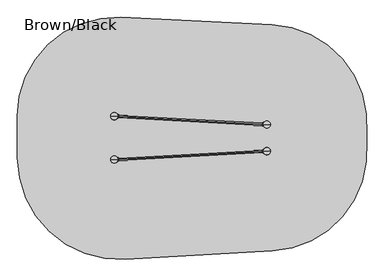
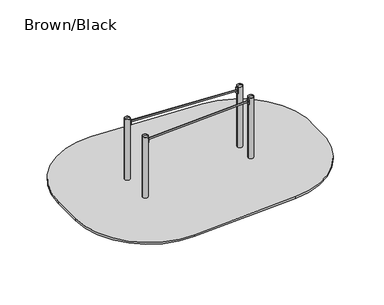
"""IFC4 building model written with IfcOpenShell, lengths in millimetres: furniture geometry, Brown/Black."""

from ifc_helpers import new_model, si_unit, point, frame, frame_2d, origin, place, context, project, spatial, polyline, circle_curve, ellipse_curve, trimmed, segment, composite_curve, outline, extrude, source, transform, mapped, element, save
from ifc_brep_helpers import plane_surface, cylinder_surface, revolved_surface, extruded_surface, advanced_brep


def brown_black_b28c65d4(model_context):
    return source(origin(), model_context, "Body", "SolidModel", [
        extrude(outline(composite_curve([segment(trimmed(circle_curve(frame_2d((1693.7224634, 297.1088305)), 1.0), [point((1694.5317711, 297.6962155))], [point((1693.4322598, 296.1518656))], False, "CARTESIAN"), True, "CONTINUOUS"), segment(polyline([(1693.4322598, 296.1518656), (1676.4479605, 301.3024251)]), True, "CONTINUOUS"), segment(trimmed(circle_curve(frame_2d((1676.7381641, 302.25939)), 1.0), [point((1676.4479605, 301.3024251))], [point((1675.7396558, 302.2047909))], False, "CARTESIAN"), True, "CONTINUOUS"), segment(polyline([(1675.7396558, 302.2047909), (1673.0861621, 350.7318826)]), True, "CONTINUOUS"), segment(trimmed(circle_curve(frame_2d((1674.0846705, 350.7864817)), 1.0), [point((1673.0861621, 350.7318826))], [point((1673.6918541, 351.7060987))], False, "CARTESIAN"), True, "CONTINUOUS"), segment(polyline([(1673.6918541, 351.7060987), (1690.0132981, 358.6778383)]), True, "CONTINUOUS"), segment(trimmed(circle_curve(frame_2d((1690.4061144, 357.7582214)), 1.0), [point((1690.0132981, 358.6778383))], [point((1691.2746426, 357.2625816))], False, "CARTESIAN"), True, "CONTINUOUS"), segment(trimmed(circle_curve(frame_2d((1739.0436912, 330.0023909)), 55.0), [point((1691.2746426, 357.2625816))], [point((1694.5317711, 297.6962155))], True, "CARTESIAN"), True, "CONTINUOUS")], self_intersect=False)), frame((0.0, 0.0, 1200.0), z_axis=(0.0, 0.0, 1.0), x_axis=(1.0, 0.0, 0.0)), (0.0, 0.0, 1.0), 120.0),
        extrude(outline(composite_curve([segment(trimmed(circle_curve(frame_2d((1690.3242462, 702.2462589)), 1.0), [point((1691.1927744, 702.7418988))], [point((1689.9314299, 701.326642))], False, "CARTESIAN"), True, "CONTINUOUS"), segment(polyline([(1689.9314299, 701.326642), (1673.6099859, 708.2983817)]), True, "CONTINUOUS"), segment(trimmed(circle_curve(frame_2d((1674.0028023, 709.2179986)), 1.0), [point((1673.6099859, 708.2983817))], [point((1673.0042939, 709.2725977))], False, "CARTESIAN"), True, "CONTINUOUS"), segment(polyline([(1673.0042939, 709.2725977), (1675.6577875, 757.7996894)]), True, "CONTINUOUS"), segment(trimmed(circle_curve(frame_2d((1676.6562959, 757.7450903)), 1.0), [point((1675.6577875, 757.7996894))], [point((1676.3660923, 758.7020552))], False, "CARTESIAN"), True, "CONTINUOUS"), segment(polyline([(1676.3660923, 758.7020552), (1693.3503916, 763.8526147)]), True, "CONTINUOUS"), segment(trimmed(circle_curve(frame_2d((1693.6405952, 762.8956498)), 1.0), [point((1693.3503916, 763.8526147))], [point((1694.4499029, 762.3082648))], False, "CARTESIAN"), True, "CONTINUOUS"), segment(trimmed(circle_curve(frame_2d((1738.961823, 730.0020894)), 55.0), [point((1694.4499029, 762.3082648))], [point((1691.1927744, 702.7418988))], True, "CARTESIAN"), True, "CONTINUOUS")], self_intersect=False)), frame((0.0, 0.0, 1200.0), z_axis=(0.0, 0.0, 1.0), x_axis=(1.0, 0.0, 0.0)), (0.0, 0.0, 1.0), 120.0),
        extrude(outline(composite_curve([segment(trimmed(circle_curve(frame_2d((-501.7205511, 237.891274)), 1.0), [point((-502.5298588, 237.303889))], [point((-501.4303475, 238.848239))], False, "CARTESIAN"), True, "CONTINUOUS"), segment(polyline([(-501.4303475, 238.848239), (-484.4460482, 233.6976795)]), True, "CONTINUOUS"), segment(trimmed(circle_curve(frame_2d((-484.7362518, 232.7407145)), 1.0), [point((-484.4460482, 233.6976795))], [point((-483.7377434, 232.7953136))], False, "CARTESIAN"), True, "CONTINUOUS"), segment(polyline([(-483.7377434, 232.7953136), (-481.0842498, 184.268222)]), True, "CONTINUOUS"), segment(trimmed(circle_curve(frame_2d((-482.0827581, 184.2136229)), 1.0), [point((-481.0842498, 184.268222))], [point((-481.6899418, 183.2940059))], False, "CARTESIAN"), True, "CONTINUOUS"), segment(polyline([(-481.6899418, 183.2940059), (-498.0113858, 176.3222662)]), True, "CONTINUOUS"), segment(trimmed(circle_curve(frame_2d((-498.4042021, 177.2418832)), 1.0), [point((-498.0113858, 176.3222662))], [point((-499.2727303, 177.737523))], False, "CARTESIAN"), True, "CONTINUOUS"), segment(trimmed(circle_curve(frame_2d((-547.0417789, 204.9977136)), 55.0), [point((-499.2727303, 177.737523))], [point((-502.5298588, 237.303889))], True, "CARTESIAN"), True, "CONTINUOUS")], self_intersect=False)), frame((0.0, 0.0, 1195.0), z_axis=(0.0, 0.0, 1.0), x_axis=(1.0, 0.0, 0.0)), (0.0, 0.0, 1.0), 120.0),
        extrude(outline(composite_curve([segment(trimmed(circle_curve(frame_2d((-498.3701462, 882.7562509)), 1.0), [point((-499.2386744, 882.2606111))], [point((-497.9773299, 883.6758679))], False, "CARTESIAN"), True, "CONTINUOUS"), segment(polyline([(-497.9773299, 883.6758679), (-481.6558859, 876.7041282)]), True, "CONTINUOUS"), segment(trimmed(circle_curve(frame_2d((-482.0487022, 875.7845112)), 1.0), [point((-481.6558859, 876.7041282))], [point((-481.0501939, 875.7299121))], False, "CARTESIAN"), True, "CONTINUOUS"), segment(polyline([(-481.0501939, 875.7299121), (-483.7036875, 827.2028205)]), True, "CONTINUOUS"), segment(trimmed(circle_curve(frame_2d((-484.7021959, 827.2574196)), 1.0), [point((-483.7036875, 827.2028205))], [point((-484.4119923, 826.3004546))], False, "CARTESIAN"), True, "CONTINUOUS"), segment(polyline([(-484.4119923, 826.3004546), (-501.3962916, 821.1498951)]), True, "CONTINUOUS"), segment(trimmed(circle_curve(frame_2d((-501.6864952, 822.1068601)), 1.0), [point((-501.3962916, 821.1498951))], [point((-502.4958029, 822.6942451))], False, "CARTESIAN"), True, "CONTINUOUS"), segment(trimmed(circle_curve(frame_2d((-547.007723, 855.0004204)), 55.0), [point((-502.4958029, 822.6942451))], [point((-499.2386744, 882.2606111))], True, "CARTESIAN"), True, "CONTINUOUS")], self_intersect=False)), frame((0.0, 0.0, 1195.0), z_axis=(0.0, 0.0, 1.0), x_axis=(1.0, 0.0, 0.0)), (0.0, 0.0, 1.0), 120.0),
        extrude(outline(composite_curve([segment(trimmed(circle_curve(frame_2d((1769.3699948, 682.9902489)), 1.0), [point((1768.8276734, 683.83042))], [point((1770.3096874, 682.6482288))], False, "CARTESIAN"), True, "CONTINUOUS"), segment(polyline([(1770.3096874, 682.6482288), (1764.2394832, 665.9704799)]), True, "CONTINUOUS"), segment(trimmed(circle_curve(frame_2d((1763.2997906, 666.3125)), 1.0), [point((1764.2394832, 665.9704799))], [point((1763.2997906, 665.3125))], False, "CARTESIAN"), True, "CONTINUOUS"), segment(polyline([(1763.2997906, 665.3125), (1714.7002057, 665.3125)]), True, "CONTINUOUS"), segment(trimmed(circle_curve(frame_2d((1714.7002057, 666.3125)), 1.0), [point((1714.7002057, 665.3125))], [point((1713.7605131, 665.9704799))], False, "CARTESIAN"), True, "CONTINUOUS"), segment(polyline([(1713.7605131, 665.9704799), (1707.6903089, 682.6482288)]), True, "CONTINUOUS"), segment(trimmed(circle_curve(frame_2d((1708.6300015, 682.9902489)), 1.0), [point((1707.6903089, 682.6482288))], [point((1709.1723229, 683.83042))], False, "CARTESIAN"), True, "CONTINUOUS"), segment(trimmed(circle_curve(frame_2d((1738.9999981, 730.0398324)), 55.0), [point((1709.1723229, 683.83042))], [point((1768.8276734, 683.83042))], True, "CARTESIAN"), True, "CONTINUOUS")], self_intersect=False)), frame((0.0, 0.0, -335.0), z_axis=(0.0, 0.0, 1.0), x_axis=(1.0, 0.0, 0.0)), (0.0, 0.0, 1.0), 120.0),
        extrude(outline(composite_curve([segment(trimmed(circle_curve(frame_2d((1708.6300052, 377.0683449)), 1.0), [point((1709.1723266, 376.2281737))], [point((1707.6903126, 377.410365))], False, "CARTESIAN"), True, "CONTINUOUS"), segment(polyline([(1707.6903126, 377.410365), (1713.7605168, 394.0881139)]), True, "CONTINUOUS"), segment(trimmed(circle_curve(frame_2d((1714.7002094, 393.7460937)), 1.0), [point((1713.7605168, 394.0881139))], [point((1714.7002094, 394.7460937))], False, "CARTESIAN"), True, "CONTINUOUS"), segment(polyline([(1714.7002094, 394.7460937), (1763.2997943, 394.7460937)]), True, "CONTINUOUS"), segment(trimmed(circle_curve(frame_2d((1763.2997943, 393.7460937)), 1.0), [point((1763.2997943, 394.7460937))], [point((1764.2394869, 394.0881139))], False, "CARTESIAN"), True, "CONTINUOUS"), segment(polyline([(1764.2394869, 394.0881139), (1770.3096911, 377.410365)]), True, "CONTINUOUS"), segment(trimmed(circle_curve(frame_2d((1769.3699985, 377.0683449)), 1.0), [point((1770.3096911, 377.410365))], [point((1768.8276771, 376.2281737))], False, "CARTESIAN"), True, "CONTINUOUS"), segment(trimmed(circle_curve(frame_2d((1739.0000019, 330.0187614)), 55.0), [point((1768.8276771, 376.2281737))], [point((1709.1723266, 376.2281737))], True, "CARTESIAN"), True, "CONTINUOUS")], self_intersect=False)), frame((0.0, 0.0, -335.0), z_axis=(0.0, 0.0, 1.0), x_axis=(1.0, 0.0, 0.0)), (0.0, 0.0, 1.0), 120.0),
        extrude(outline(composite_curve([segment(trimmed(circle_curve(frame_2d((-516.6300052, 807.9902489)), 1.0), [point((-517.1723266, 808.83042))], [point((-515.6903126, 807.6482288))], False, "CARTESIAN"), True, "CONTINUOUS"), segment(polyline([(-515.6903126, 807.6482288), (-521.7605168, 790.9704799)]), True, "CONTINUOUS"), segment(trimmed(circle_curve(frame_2d((-522.7002094, 791.3125)), 1.0), [point((-521.7605168, 790.9704799))], [point((-522.7002094, 790.3125))], False, "CARTESIAN"), True, "CONTINUOUS"), segment(polyline([(-522.7002094, 790.3125), (-571.2997943, 790.3125)]), True, "CONTINUOUS"), segment(trimmed(circle_curve(frame_2d((-571.2997943, 791.3125)), 1.0), [point((-571.2997943, 790.3125))], [point((-572.2394869, 790.9704799))], False, "CARTESIAN"), True, "CONTINUOUS"), segment(polyline([(-572.2394869, 790.9704799), (-578.3096911, 807.6482288)]), True, "CONTINUOUS"), segment(trimmed(circle_curve(frame_2d((-577.3699985, 807.9902489)), 1.0), [point((-578.3096911, 807.6482288))], [point((-576.8276771, 808.83042))], False, "CARTESIAN"), True, "CONTINUOUS"), segment(trimmed(circle_curve(frame_2d((-547.0000019, 855.0398324)), 55.0), [point((-576.8276771, 808.83042))], [point((-517.1723266, 808.83042))], True, "CARTESIAN"), True, "CONTINUOUS")], self_intersect=False)), frame((0.0, 0.0, -335.0), z_axis=(0.0, 0.0, 1.0), x_axis=(1.0, 0.0, 0.0)), (0.0, 0.0, 1.0), 120.0),
        extrude(outline(composite_curve([segment(trimmed(circle_curve(frame_2d((-577.3699948, 252.0740781)), 1.0), [point((-576.8276734, 251.233907))], [point((-578.3096874, 252.4160982))], False, "CARTESIAN"), True, "CONTINUOUS"), segment(polyline([(-578.3096874, 252.4160982), (-572.2394832, 269.0938471)]), True, "CONTINUOUS"), segment(trimmed(circle_curve(frame_2d((-571.2997906, 268.751827)), 1.0), [point((-572.2394832, 269.0938471))], [point((-571.2997906, 269.751827))], False, "CARTESIAN"), True, "CONTINUOUS"), segment(polyline([(-571.2997906, 269.751827), (-522.7002057, 269.751827)]), True, "CONTINUOUS"), segment(trimmed(circle_curve(frame_2d((-522.7002057, 268.751827)), 1.0), [point((-522.7002057, 269.751827))], [point((-521.7605131, 269.0938471))], False, "CARTESIAN"), True, "CONTINUOUS"), segment(polyline([(-521.7605131, 269.0938471), (-515.6903089, 252.4160982)]), True, "CONTINUOUS"), segment(trimmed(circle_curve(frame_2d((-516.6300015, 252.0740781)), 1.0), [point((-515.6903089, 252.4160982))], [point((-517.1723229, 251.233907))], False, "CARTESIAN"), True, "CONTINUOUS"), segment(trimmed(circle_curve(frame_2d((-546.9999981, 205.0244946)), 55.0), [point((-517.1723229, 251.233907))], [point((-576.8276734, 251.233907))], True, "CARTESIAN"), True, "CONTINUOUS")], self_intersect=False)), frame((0.0, 0.0, -335.0), z_axis=(0.0, 0.0, 1.0), x_axis=(1.0, 0.0, 0.0)), (0.0, 0.0, 1.0), 120.0),
        advanced_brep(
        [(1794.0, 730.0, 1350.0), (1684.0, 730.0, 1350.0), (1739.0, 730.0, 1362.0246565), (1739.0, 730.0, 1350.0)],
        [
            (0, 1, circle_curve(frame((1739.0, 730.0, 1350.0), z_axis=(0.0, 0.0, 1.0), x_axis=(-1.0, 0.0, 0.0)), 55.0)),
            (1, 2, circle_curve(frame((1734.4549856, 730.0, 1251.0177111), z_axis=(0.0, 1.0, 0.0), x_axis=(-1.0, 0.0, 0.0)), 111.0999509)),
            (2, 0, circle_curve(frame((1743.5450144, 730.0, 1251.0177111), z_axis=(0.0, 1.0, 0.0), x_axis=(1.0, 0.0, 0.0)), 111.0999509)),
            (1, 0, circle_curve(frame((1739.0, 730.0, 1350.0), z_axis=(0.0, 0.0, 1.0), x_axis=(-1.0, 0.0, 0.0)), 55.0)),
            (3, 1),
            (0, 3),
        ],
        [
            revolved_surface(trimmed(ellipse_curve(frame((1734.4549856, 730.0, 1251.0177111), z_axis=(0.0, -1.0, 0.0), x_axis=(-1.0, 0.0, 0.0)), 111.0999509, 111.0999509), [point((1739.0, 730.0, 1362.0246565))], [point((1684.0, 730.0, 1350.0))], True, "CARTESIAN"), (1739.0, 730.0, 969.0), (0.0, 0.0, -1.0)),
            plane_surface(frame((1739.0, 730.0, 1350.0), z_axis=(0.0, 0.0, -1.0), x_axis=(-1.0, 0.0, 0.0))),
        ],
        [
            (0, [[1, 2, 3]]),
            (0, [[4, -3, -2]]),
            (1, [[5, -1, 6]]),
            (1, [[-6, -4, -5]]),
        ],
    ),
        advanced_brep(
        [(-534.5, 927.4599432, -225.0), (-547.0, 927.4599432, -225.0), (-559.5, 927.4599432, -225.0), (-619.5, 867.4599432, -225.0), (-619.5, 842.4599432, -225.0), (-559.5, 782.4599432, -225.0), (-534.5, 782.4599432, -225.0), (-474.5, 842.4599432, -225.0), (-474.5, 867.4599432, -225.0), (-457.0, 1005.0, -460.0), (-547.0, 1005.0, -460.0), (-637.0, 1005.0, -460.0), (-697.0, 945.0, -460.0), (-697.0, 765.0, -460.0), (-637.0, 705.0, -460.0), (-457.0, 705.0, -460.0), (-397.0, 765.0, -460.0), (-397.0, 945.0, -460.0), (-457.0, 1005.0, -600.0), (-397.0, 945.0, -600.0), (-397.0, 765.0, -600.0), (-457.0, 705.0, -600.0), (-637.0, 705.0, -600.0), (-697.0, 765.0, -600.0), (-697.0, 945.0, -600.0), (-637.0, 1005.0, -600.0), (-547.0, 1005.0, -600.0)],
        [
            (0, 1),
            (1, 2),
            (2, 3, circle_curve(frame((-559.5, 867.4599432, -225.0), z_axis=(0.0, 0.0, 1.0), x_axis=(1.0, 0.0, 0.0)), 60.0)),
            (3, 4),
            (4, 5, circle_curve(frame((-559.5, 842.4599432, -225.0), z_axis=(0.0, 0.0, 1.0), x_axis=(1.0, 0.0, 0.0)), 60.0)),
            (5, 6),
            (6, 7, circle_curve(frame((-534.5, 842.4599432, -225.0), z_axis=(0.0, 0.0, 1.0), x_axis=(1.0, 0.0, 0.0)), 60.0)),
            (7, 8),
            (8, 0, circle_curve(frame((-534.5, 867.4599432, -225.0), z_axis=(0.0, 0.0, 1.0), x_axis=(1.0, 0.0, 0.0)), 60.0)),
            (0, 9),
            (9, 10),
            (10, 1),
            (10, 11),
            (11, 2),
            (11, 12, circle_curve(frame((-637.0, 945.0, -460.0), z_axis=(0.0, 0.0, 1.0), x_axis=(1.0, 0.0, 0.0)), 60.0)),
            (12, 3),
            (12, 13),
            (13, 4),
            (13, 14, circle_curve(frame((-637.0, 765.0, -460.0), z_axis=(0.0, 0.0, 1.0), x_axis=(1.0, 0.0, 0.0)), 60.0)),
            (14, 5),
            (14, 15),
            (15, 6),
            (15, 16, circle_curve(frame((-457.0, 765.0, -460.0), z_axis=(0.0, 0.0, 1.0), x_axis=(1.0, 0.0, 0.0)), 60.0)),
            (16, 7),
            (16, 17),
            (17, 8),
            (17, 9, circle_curve(frame((-457.0, 945.0, -460.0), z_axis=(0.0, 0.0, 1.0), x_axis=(1.0, 0.0, 0.0)), 60.0)),
            (18, 19, circle_curve(frame((-457.0, 945.0, -600.0), z_axis=(0.0, 0.0, -1.0), x_axis=(1.0, 0.0, 0.0)), 60.0)),
            (19, 20),
            (20, 21, circle_curve(frame((-457.0, 765.0, -600.0), z_axis=(0.0, 0.0, -1.0), x_axis=(1.0, 0.0, 0.0)), 60.0)),
            (21, 22),
            (22, 23, circle_curve(frame((-637.0, 765.0, -600.0), z_axis=(0.0, 0.0, -1.0), x_axis=(1.0, 0.0, 0.0)), 60.0)),
            (23, 24),
            (24, 25, circle_curve(frame((-637.0, 945.0, -600.0), z_axis=(0.0, 0.0, -1.0), x_axis=(1.0, 0.0, 0.0)), 60.0)),
            (25, 26),
            (26, 18),
            (26, 10),
            (9, 18),
            (25, 11),
            (23, 13),
            (12, 24),
            (21, 15),
            (14, 22),
            (19, 17),
            (16, 20),
        ],
        [
            plane_surface(frame((-547.0, 863.0154988, -225.0), z_axis=(0.0, 0.0, 1.0), x_axis=(-1.0, 0.0, 0.0))),
            plane_surface(frame((-540.75, 927.4599432, -225.0), z_axis=(0.0, 0.9496406059136844, 0.3133412191204512), x_axis=(1.0, 0.0, 0.0))),
            plane_surface(frame((-553.25, 927.4599432, -225.0), z_axis=(0.0, 0.9496406059136843, 0.3133412191204512), x_axis=(1.0, 0.0, 0.0))),
            extruded_surface(trimmed(circle_curve(frame((-559.5, 867.4599432, -225.0), z_axis=(0.0, 0.0, -1.0), x_axis=(1.0, 0.0, 0.0)), 60.0), [point((-619.5, 867.4599432, -225.0))], [point((-559.5, 927.4599432, -225.0))], True, "CARTESIAN"), (-77.5, 77.5400568, -235.0), 259.3139225119763),
            plane_surface(frame((-619.5, 854.9599432, -225.0), z_axis=(-0.9496887635303409, 0.0, 0.31319523052596476), x_axis=(0.0, 1.0, 0.0))),
            extruded_surface(trimmed(circle_curve(frame((-559.5, 842.4599432, -225.0), z_axis=(0.0, 0.0, -1.0), x_axis=(1.0, 0.0, 0.0)), 60.0), [point((-559.5, 782.4599432, -225.0))], [point((-619.5, 842.4599432, -225.0))], True, "CARTESIAN"), (-77.5, -77.4599432, -235.0), 259.2899782107809),
            plane_surface(frame((-547.0, 782.4599432, -225.0), z_axis=(0.0, -0.9497369035840961, 0.3130492197250991), x_axis=(-1.0, 0.0, 0.0))),
            extruded_surface(trimmed(circle_curve(frame((-534.5, 842.4599432, -225.0), z_axis=(0.0, 0.0, -1.0), x_axis=(1.0, 0.0, 0.0)), 60.0), [point((-474.5, 842.4599432, -225.0))], [point((-534.5, 782.4599432, -225.0))], True, "CARTESIAN"), (77.5, -77.4599432, -235.0), 259.2899782107809),
            plane_surface(frame((-474.5, 854.9599432, -225.0), z_axis=(0.9496887635303416, 0.0, 0.3131952305259627), x_axis=(0.0, -1.0, 0.0))),
            extruded_surface(trimmed(circle_curve(frame((-534.5, 867.4599432, -225.0), z_axis=(0.0, 0.0, -1.0), x_axis=(1.0, 0.0, 0.0)), 60.0), [point((-534.5, 927.4599432, -225.0))], [point((-474.5, 867.4599432, -225.0))], True, "CARTESIAN"), (77.5, 77.5400568, -235.0), 259.3139225119763),
            plane_surface(frame((-547.0, 1005.0, -600.0), z_axis=(0.0, 0.0, -1.0), x_axis=(1.0, 0.0, 0.0))),
            plane_surface(frame((-457.0, 1005.0, -460.0), z_axis=(0.0, 1.0, 0.0), x_axis=(0.0, 0.0, -1.0))),
            plane_surface(frame((-547.0, 1005.0, -460.0), z_axis=(0.0, 1.0, 0.0), x_axis=(0.0, 0.0, -1.0))),
            plane_surface(frame((-697.0, 945.0, -460.0), z_axis=(-1.0, 0.0, 0.0), x_axis=(0.0, 0.0, -1.0))),
            plane_surface(frame((-637.0, 705.0, -460.0), z_axis=(0.0, -1.0, 0.0), x_axis=(0.0, 0.0, -1.0))),
            plane_surface(frame((-397.0, 765.0, -460.0), z_axis=(1.0, 0.0, 0.0), x_axis=(0.0, 0.0, -1.0))),
            cylinder_surface(frame((-637.0, 945.0, -600.0), z_axis=(0.0, 0.0, 1.0), x_axis=(1.0, 0.0, 0.0)), 60.0),
            cylinder_surface(frame((-637.0, 765.0, -600.0), z_axis=(0.0, 0.0, 1.0), x_axis=(1.0, 0.0, 0.0)), 60.0),
            cylinder_surface(frame((-457.0, 765.0, -600.0), z_axis=(0.0, 0.0, 1.0), x_axis=(1.0, 0.0, 0.0)), 60.0),
            cylinder_surface(frame((-457.0, 945.0, -600.0), z_axis=(0.0, 0.0, 1.0), x_axis=(1.0, 0.0, 0.0)), 60.0),
        ],
        [
            (0, [[1, 2, 3, 4, 5, 6, 7, 8, 9]]),
            (1, [[-1, 10, 11, 12]]),
            (2, [[-2, -12, 13, 14]]),
            (3, [[-3, -14, 15, 16]]),
            (4, [[-4, -16, 17, 18]]),
            (5, [[-5, -18, 19, 20]]),
            (6, [[-6, -20, 21, 22]]),
            (7, [[-7, -22, 23, 24]]),
            (8, [[-8, -24, 25, 26]]),
            (9, [[-9, -26, 27, -10]]),
            (10, [[28, 29, 30, 31, 32, 33, 34, 35, 36]]),
            (11, [[-36, 37, -11, 38]]),
            (12, [[-35, 39, -13, -37]]),
            (13, [[-33, 40, -17, 41]]),
            (14, [[-31, 42, -21, 43]]),
            (15, [[-29, 44, -25, 45]]),
            (16, [[-34, -41, -15, -39]]),
            (17, [[-32, -43, -19, -40]]),
            (18, [[-30, -45, -23, -42]]),
            (19, [[-28, -38, -27, -44]]),
        ],
    ),
        extrude(outline(composite_curve([segment(trimmed(circle_curve(frame_2d((-547.0, 855.0)), 55.0), [point((-602.0, 855.0))], [point((-492.0, 855.0))], False, "CARTESIAN"), True, "CONTINUOUS"), segment(trimmed(circle_curve(frame_2d((-547.0, 855.0)), 55.0), [point((-492.0, 855.0))], [point((-602.0, 855.0))], False, "CARTESIAN"), True, "CONTINUOUS")], self_intersect=False)), frame((0.0, 0.0, -600.0), z_axis=(0.0, 0.0, 1.0), x_axis=(1.0, 0.0, 0.0)), (0.0, 0.0, 1.0), 500.0),
        advanced_brep(
        [(1751.5, 802.4599432, -225.0), (1739.0, 802.4599432, -225.0), (1726.5, 802.4599432, -225.0), (1666.5, 742.4599432, -225.0), (1666.5, 717.4599432, -225.0), (1726.5, 657.4599432, -225.0), (1751.5, 657.4599432, -225.0), (1811.5, 717.4599432, -225.0), (1811.5, 742.4599432, -225.0), (1829.0, 880.0, -460.0), (1739.0, 880.0, -460.0), (1649.0, 880.0, -460.0), (1589.0, 820.0, -460.0), (1589.0, 640.0, -460.0), (1649.0, 580.0, -460.0), (1829.0, 580.0, -460.0), (1889.0, 640.0, -460.0), (1889.0, 820.0, -460.0), (1829.0, 880.0, -600.0), (1889.0, 820.0, -600.0), (1889.0, 640.0, -600.0), (1829.0, 580.0, -600.0), (1649.0, 580.0, -600.0), (1589.0, 640.0, -600.0), (1589.0, 820.0, -600.0), (1649.0, 880.0, -600.0), (1739.0, 880.0, -600.0)],
        [
            (0, 1),
            (1, 2),
            (2, 3, circle_curve(frame((1726.5, 742.4599432, -225.0), z_axis=(0.0, 0.0, 1.0), x_axis=(1.0, 0.0, 0.0)), 60.0)),
            (3, 4),
            (4, 5, circle_curve(frame((1726.5, 717.4599432, -225.0), z_axis=(0.0, 0.0, 1.0), x_axis=(1.0, 0.0, 0.0)), 60.0)),
            (5, 6),
            (6, 7, circle_curve(frame((1751.5, 717.4599432, -225.0), z_axis=(0.0, 0.0, 1.0), x_axis=(1.0, 0.0, 0.0)), 60.0)),
            (7, 8),
            (8, 0, circle_curve(frame((1751.5, 742.4599432, -225.0), z_axis=(0.0, 0.0, 1.0), x_axis=(1.0, 0.0, 0.0)), 60.0)),
            (0, 9),
            (9, 10),
            (10, 1),
            (10, 11),
            (11, 2),
            (11, 12, circle_curve(frame((1649.0, 820.0, -460.0), z_axis=(0.0, 0.0, 1.0), x_axis=(1.0, 0.0, 0.0)), 60.0)),
            (12, 3),
            (12, 13),
            (13, 4),
            (13, 14, circle_curve(frame((1649.0, 640.0, -460.0), z_axis=(0.0, 0.0, 1.0), x_axis=(1.0, 0.0, 0.0)), 60.0)),
            (14, 5),
            (14, 15),
            (15, 6),
            (15, 16, circle_curve(frame((1829.0, 640.0, -460.0), z_axis=(0.0, 0.0, 1.0), x_axis=(1.0, 0.0, 0.0)), 60.0)),
            (16, 7),
            (16, 17),
            (17, 8),
            (17, 9, circle_curve(frame((1829.0, 820.0, -460.0), z_axis=(0.0, 0.0, 1.0), x_axis=(1.0, 0.0, 0.0)), 60.0)),
            (18, 19, circle_curve(frame((1829.0, 820.0, -600.0), z_axis=(0.0, 0.0, -1.0), x_axis=(1.0, 0.0, 0.0)), 60.0)),
            (19, 20),
            (20, 21, circle_curve(frame((1829.0, 640.0, -600.0), z_axis=(0.0, 0.0, -1.0), x_axis=(1.0, 0.0, 0.0)), 60.0)),
            (21, 22),
            (22, 23, circle_curve(frame((1649.0, 640.0, -600.0), z_axis=(0.0, 0.0, -1.0), x_axis=(1.0, 0.0, 0.0)), 60.0)),
            (23, 24),
            (24, 25, circle_curve(frame((1649.0, 820.0, -600.0), z_axis=(0.0, 0.0, -1.0), x_axis=(1.0, 0.0, 0.0)), 60.0)),
            (25, 26),
            (26, 18),
            (26, 10),
            (9, 18),
            (25, 11),
            (23, 13),
            (12, 24),
            (21, 15),
            (14, 22),
            (19, 17),
            (16, 20),
        ],
        [
            plane_surface(frame((1739.0, 738.0154988, -225.0), z_axis=(0.0, 0.0, 1.0), x_axis=(-1.0, 0.0, 0.0))),
            plane_surface(frame((1745.25, 802.4599432, -225.0), z_axis=(0.0, 0.9496406059136844, 0.3133412191204512), x_axis=(1.0, 0.0, 0.0))),
            plane_surface(frame((1732.75, 802.4599432, -225.0), z_axis=(0.0, 0.9496406059136843, 0.3133412191204512), x_axis=(1.0, 0.0, 0.0))),
            extruded_surface(trimmed(circle_curve(frame((1726.5, 742.4599432, -225.0), z_axis=(0.0, 0.0, -1.0), x_axis=(1.0, 0.0, 0.0)), 60.0), [point((1666.5, 742.4599432, -225.0))], [point((1726.5, 802.4599432, -225.0))], True, "CARTESIAN"), (-77.5, 77.5400568, -235.0), 259.3139225119763),
            plane_surface(frame((1666.5, 729.9599432, -225.0), z_axis=(-0.9496887635303409, 0.0, 0.31319523052596476), x_axis=(0.0, 1.0, 0.0))),
            extruded_surface(trimmed(circle_curve(frame((1726.5, 717.4599432, -225.0), z_axis=(0.0, 0.0, -1.0), x_axis=(1.0, 0.0, 0.0)), 60.0), [point((1726.5, 657.4599432, -225.0))], [point((1666.5, 717.4599432, -225.0))], True, "CARTESIAN"), (-77.5, -77.4599432, -235.0), 259.2899782107809),
            plane_surface(frame((1739.0, 657.4599432, -225.0), z_axis=(0.0, -0.9497369035840961, 0.3130492197250991), x_axis=(-1.0, 0.0, 0.0))),
            extruded_surface(trimmed(circle_curve(frame((1751.5, 717.4599432, -225.0), z_axis=(0.0, 0.0, -1.0), x_axis=(1.0, 0.0, 0.0)), 60.0), [point((1811.5, 717.4599432, -225.0))], [point((1751.5, 657.4599432, -225.0))], True, "CARTESIAN"), (77.5, -77.4599432, -235.0), 259.2899782107809),
            plane_surface(frame((1811.5, 729.9599432, -225.0), z_axis=(0.9496887635303416, 0.0, 0.3131952305259627), x_axis=(0.0, -1.0, 0.0))),
            extruded_surface(trimmed(circle_curve(frame((1751.5, 742.4599432, -225.0), z_axis=(0.0, 0.0, -1.0), x_axis=(1.0, 0.0, 0.0)), 60.0), [point((1751.5, 802.4599432, -225.0))], [point((1811.5, 742.4599432, -225.0))], True, "CARTESIAN"), (77.5, 77.5400568, -235.0), 259.3139225119763),
            plane_surface(frame((1739.0, 880.0, -600.0), z_axis=(0.0, 0.0, -1.0), x_axis=(1.0, 0.0, 0.0))),
            plane_surface(frame((1829.0, 880.0, -460.0), z_axis=(0.0, 1.0, 0.0), x_axis=(0.0, 0.0, -1.0))),
            plane_surface(frame((1739.0, 880.0, -460.0), z_axis=(0.0, 1.0, 0.0), x_axis=(0.0, 0.0, -1.0))),
            plane_surface(frame((1589.0, 820.0, -460.0), z_axis=(-1.0, 0.0, 0.0), x_axis=(0.0, 0.0, -1.0))),
            plane_surface(frame((1649.0, 580.0, -460.0), z_axis=(0.0, -1.0, 0.0), x_axis=(0.0, 0.0, -1.0))),
            plane_surface(frame((1889.0, 640.0, -460.0), z_axis=(1.0, 0.0, 0.0), x_axis=(0.0, 0.0, -1.0))),
            cylinder_surface(frame((1649.0, 820.0, -600.0), z_axis=(0.0, 0.0, 1.0), x_axis=(1.0, 0.0, 0.0)), 60.0),
            cylinder_surface(frame((1649.0, 640.0, -600.0), z_axis=(0.0, 0.0, 1.0), x_axis=(1.0, 0.0, 0.0)), 60.0),
            cylinder_surface(frame((1829.0, 640.0, -600.0), z_axis=(0.0, 0.0, 1.0), x_axis=(1.0, 0.0, 0.0)), 60.0),
            cylinder_surface(frame((1829.0, 820.0, -600.0), z_axis=(0.0, 0.0, 1.0), x_axis=(1.0, 0.0, 0.0)), 60.0),
        ],
        [
            (0, [[1, 2, 3, 4, 5, 6, 7, 8, 9]]),
            (1, [[-1, 10, 11, 12]]),
            (2, [[-2, -12, 13, 14]]),
            (3, [[-3, -14, 15, 16]]),
            (4, [[-4, -16, 17, 18]]),
            (5, [[-5, -18, 19, 20]]),
            (6, [[-6, -20, 21, 22]]),
            (7, [[-7, -22, 23, 24]]),
            (8, [[-8, -24, 25, 26]]),
            (9, [[-9, -26, 27, -10]]),
            (10, [[28, 29, 30, 31, 32, 33, 34, 35, 36]]),
            (11, [[-36, 37, -11, 38]]),
            (12, [[-35, 39, -13, -37]]),
            (13, [[-33, 40, -17, 41]]),
            (14, [[-31, 42, -21, 43]]),
            (15, [[-29, 44, -25, 45]]),
            (16, [[-34, -41, -15, -39]]),
            (17, [[-32, -43, -19, -40]]),
            (18, [[-30, -45, -23, -42]]),
            (19, [[-28, -38, -27, -44]]),
        ],
    ),
        extrude(outline(composite_curve([segment(trimmed(circle_curve(frame_2d((1739.0, 730.0)), 55.0), [point((1684.0, 730.0))], [point((1794.0, 730.0))], False, "CARTESIAN"), True, "CONTINUOUS"), segment(trimmed(circle_curve(frame_2d((1739.0, 730.0)), 55.0), [point((1794.0, 730.0))], [point((1684.0, 730.0))], False, "CARTESIAN"), True, "CONTINUOUS")], self_intersect=False)), frame((0.0, 0.0, -600.0), z_axis=(0.0, 0.0, 1.0), x_axis=(1.0, 0.0, 0.0)), (0.0, 0.0, 1.0), 500.0),
        advanced_brep(
        [(-492.0, 855.0, 1350.0), (-602.0, 855.0, 1350.0), (-547.0, 855.0, 1362.0246565), (-547.0, 855.0, 1350.0)],
        [
            (0, 1, circle_curve(frame((-547.0, 855.0, 1350.0), z_axis=(0.0, 0.0, 1.0), x_axis=(-1.0, 0.0, 0.0)), 55.0)),
            (1, 2, circle_curve(frame((-551.5450144, 855.0, 1251.0177111), z_axis=(0.0, 1.0, 0.0), x_axis=(-1.0, 0.0, 0.0)), 111.0999509)),
            (2, 0, circle_curve(frame((-542.4549856, 855.0, 1251.0177111), z_axis=(0.0, 1.0, 0.0), x_axis=(1.0, 0.0, 0.0)), 111.0999509)),
            (1, 0, circle_curve(frame((-547.0, 855.0, 1350.0), z_axis=(0.0, 0.0, 1.0), x_axis=(-1.0, 0.0, 0.0)), 55.0)),
            (3, 1),
            (0, 3),
        ],
        [
            revolved_surface(trimmed(ellipse_curve(frame((-551.5450144, 855.0, 1251.0177111), z_axis=(0.0, -1.0, 0.0), x_axis=(-1.0, 0.0, 0.0)), 111.0999509, 111.0999509), [point((-547.0, 855.0, 1362.0246565))], [point((-602.0, 855.0, 1350.0))], True, "CARTESIAN"), (-547.0, 855.0, 969.0), (0.0, 0.0, -1.0)),
            plane_surface(frame((-547.0, 855.0, 1350.0), z_axis=(0.0, 0.0, -1.0), x_axis=(-1.0, 0.0, 0.0))),
        ],
        [
            (0, [[1, 2, 3]]),
            (0, [[4, -3, -2]]),
            (1, [[5, -1, 6]]),
            (1, [[-6, -4, -5]]),
        ],
    ),
        advanced_brep(
        [(1794.0, 330.0, 1350.0), (1684.0, 330.0, 1350.0), (1739.0, 330.0, 1362.0246565), (1739.0, 330.0, 1350.0)],
        [
            (0, 1, circle_curve(frame((1739.0, 330.0, 1350.0), z_axis=(0.0, 0.0, 1.0), x_axis=(-1.0, 0.0, 0.0)), 55.0)),
            (1, 2, circle_curve(frame((1734.4549856, 330.0, 1251.0177111), z_axis=(0.0, 1.0, 0.0), x_axis=(-1.0, 0.0, 0.0)), 111.0999509)),
            (2, 0, circle_curve(frame((1743.5450144, 330.0, 1251.0177111), z_axis=(0.0, 1.0, 0.0), x_axis=(1.0, 0.0, 0.0)), 111.0999509)),
            (1, 0, circle_curve(frame((1739.0, 330.0, 1350.0), z_axis=(0.0, 0.0, 1.0), x_axis=(-1.0, 0.0, 0.0)), 55.0)),
            (3, 1),
            (0, 3),
        ],
        [
            revolved_surface(trimmed(ellipse_curve(frame((1734.4549856, 330.0, 1251.0177111), z_axis=(0.0, -1.0, 0.0), x_axis=(-1.0, 0.0, 0.0)), 111.0999509, 111.0999509), [point((1739.0, 330.0, 1362.0246565))], [point((1684.0, 330.0, 1350.0))], True, "CARTESIAN"), (1739.0, 330.0, 969.0), (0.0, 0.0, -1.0)),
            plane_surface(frame((1739.0, 330.0, 1350.0), z_axis=(0.0, 0.0, -1.0), x_axis=(-1.0, 0.0, 0.0))),
        ],
        [
            (0, [[1, 2, 3]]),
            (0, [[4, -3, -2]]),
            (1, [[5, -1, 6]]),
            (1, [[-6, -4, -5]]),
        ],
    ),
        advanced_brep(
        [(-492.0, 205.0, 1350.0), (-602.0, 205.0, 1350.0), (-547.0, 205.0, 1362.0246565), (-547.0, 205.0, 1350.0)],
        [
            (0, 1, circle_curve(frame((-547.0, 205.0, 1350.0), z_axis=(0.0, 0.0, 1.0), x_axis=(-1.0, 0.0, 0.0)), 55.0)),
            (1, 2, circle_curve(frame((-551.5450144, 205.0, 1251.0177111), z_axis=(0.0, 1.0, 0.0), x_axis=(-1.0, 0.0, 0.0)), 111.0999509)),
            (2, 0, circle_curve(frame((-542.4549856, 205.0, 1251.0177111), z_axis=(0.0, 1.0, 0.0), x_axis=(1.0, 0.0, 0.0)), 111.0999509)),
            (1, 0, circle_curve(frame((-547.0, 205.0, 1350.0), z_axis=(0.0, 0.0, 1.0), x_axis=(-1.0, 0.0, 0.0)), 55.0)),
            (3, 1),
            (0, 3),
        ],
        [
            revolved_surface(trimmed(ellipse_curve(frame((-551.5450144, 205.0, 1251.0177111), z_axis=(0.0, -1.0, 0.0), x_axis=(-1.0, 0.0, 0.0)), 111.0999509, 111.0999509), [point((-547.0, 205.0, 1362.0246565))], [point((-602.0, 205.0, 1350.0))], True, "CARTESIAN"), (-547.0, 205.0, 969.0), (0.0, 0.0, -1.0)),
            plane_surface(frame((-547.0, 205.0, 1350.0), z_axis=(0.0, 0.0, -1.0), x_axis=(-1.0, 0.0, 0.0))),
        ],
        [
            (0, [[1, 2, 3]]),
            (0, [[4, -3, -2]]),
            (1, [[5, -1, 6]]),
            (1, [[-6, -4, -5]]),
        ],
    ),
        advanced_brep(
        [(1751.5, 402.4599432, -225.0), (1739.0, 402.4599432, -225.0), (1726.5, 402.4599432, -225.0), (1666.5, 342.4599432, -225.0), (1666.5, 317.4599432, -225.0), (1726.5, 257.4599432, -225.0), (1751.5, 257.4599432, -225.0), (1811.5, 317.4599432, -225.0), (1811.5, 342.4599432, -225.0), (1829.0, 480.0, -460.0), (1739.0, 480.0, -460.0), (1649.0, 480.0, -460.0), (1589.0, 420.0, -460.0), (1589.0, 240.0, -460.0), (1649.0, 180.0, -460.0), (1829.0, 180.0, -460.0), (1889.0, 240.0, -460.0), (1889.0, 420.0, -460.0), (1829.0, 480.0, -600.0), (1889.0, 420.0, -600.0), (1889.0, 240.0, -600.0), (1829.0, 180.0, -600.0), (1649.0, 180.0, -600.0), (1589.0, 240.0, -600.0), (1589.0, 420.0, -600.0), (1649.0, 480.0, -600.0), (1739.0, 480.0, -600.0)],
        [
            (0, 1),
            (1, 2),
            (2, 3, circle_curve(frame((1726.5, 342.4599432, -225.0), z_axis=(0.0, 0.0, 1.0), x_axis=(1.0, 0.0, 0.0)), 60.0)),
            (3, 4),
            (4, 5, circle_curve(frame((1726.5, 317.4599432, -225.0), z_axis=(0.0, 0.0, 1.0), x_axis=(1.0, 0.0, 0.0)), 60.0)),
            (5, 6),
            (6, 7, circle_curve(frame((1751.5, 317.4599432, -225.0), z_axis=(0.0, 0.0, 1.0), x_axis=(1.0, 0.0, 0.0)), 60.0)),
            (7, 8),
            (8, 0, circle_curve(frame((1751.5, 342.4599432, -225.0), z_axis=(0.0, 0.0, 1.0), x_axis=(1.0, 0.0, 0.0)), 60.0)),
            (0, 9),
            (9, 10),
            (10, 1),
            (10, 11),
            (11, 2),
            (11, 12, circle_curve(frame((1649.0, 420.0, -460.0), z_axis=(0.0, 0.0, 1.0), x_axis=(1.0, 0.0, 0.0)), 60.0)),
            (12, 3),
            (12, 13),
            (13, 4),
            (13, 14, circle_curve(frame((1649.0, 240.0, -460.0), z_axis=(0.0, 0.0, 1.0), x_axis=(1.0, 0.0, 0.0)), 60.0)),
            (14, 5),
            (14, 15),
            (15, 6),
            (15, 16, circle_curve(frame((1829.0, 240.0, -460.0), z_axis=(0.0, 0.0, 1.0), x_axis=(1.0, 0.0, 0.0)), 60.0)),
            (16, 7),
            (16, 17),
            (17, 8),
            (17, 9, circle_curve(frame((1829.0, 420.0, -460.0), z_axis=(0.0, 0.0, 1.0), x_axis=(1.0, 0.0, 0.0)), 60.0)),
            (18, 19, circle_curve(frame((1829.0, 420.0, -600.0), z_axis=(0.0, 0.0, -1.0), x_axis=(1.0, 0.0, 0.0)), 60.0)),
            (19, 20),
            (20, 21, circle_curve(frame((1829.0, 240.0, -600.0), z_axis=(0.0, 0.0, -1.0), x_axis=(1.0, 0.0, 0.0)), 60.0)),
            (21, 22),
            (22, 23, circle_curve(frame((1649.0, 240.0, -600.0), z_axis=(0.0, 0.0, -1.0), x_axis=(1.0, 0.0, 0.0)), 60.0)),
            (23, 24),
            (24, 25, circle_curve(frame((1649.0, 420.0, -600.0), z_axis=(0.0, 0.0, -1.0), x_axis=(1.0, 0.0, 0.0)), 60.0)),
            (25, 26),
            (26, 18),
            (26, 10),
            (9, 18),
            (25, 11),
            (23, 13),
            (12, 24),
            (21, 15),
            (14, 22),
            (19, 17),
            (16, 20),
        ],
        [
            plane_surface(frame((1739.0, 338.0154988, -225.0), z_axis=(0.0, 0.0, 1.0), x_axis=(-1.0, 0.0, 0.0))),
            plane_surface(frame((1745.25, 402.4599432, -225.0), z_axis=(0.0, 0.9496406059136844, 0.3133412191204512), x_axis=(1.0, 0.0, 0.0))),
            plane_surface(frame((1732.75, 402.4599432, -225.0), z_axis=(0.0, 0.9496406059136843, 0.3133412191204512), x_axis=(1.0, 0.0, 0.0))),
            extruded_surface(trimmed(circle_curve(frame((1726.5, 342.4599432, -225.0), z_axis=(0.0, 0.0, -1.0), x_axis=(1.0, 0.0, 0.0)), 60.0), [point((1666.5, 342.4599432, -225.0))], [point((1726.5, 402.4599432, -225.0))], True, "CARTESIAN"), (-77.5, 77.5400568, -235.0), 259.3139225119763),
            plane_surface(frame((1666.5, 329.9599432, -225.0), z_axis=(-0.9496887635303409, 0.0, 0.31319523052596476), x_axis=(0.0, 1.0, 0.0))),
            extruded_surface(trimmed(circle_curve(frame((1726.5, 317.4599432, -225.0), z_axis=(0.0, 0.0, -1.0), x_axis=(1.0, 0.0, 0.0)), 60.0), [point((1726.5, 257.4599432, -225.0))], [point((1666.5, 317.4599432, -225.0))], True, "CARTESIAN"), (-77.5, -77.4599432, -235.0), 259.2899782107809),
            plane_surface(frame((1739.0, 257.4599432, -225.0), z_axis=(0.0, -0.9497369035840961, 0.3130492197250991), x_axis=(-1.0, 0.0, 0.0))),
            extruded_surface(trimmed(circle_curve(frame((1751.5, 317.4599432, -225.0), z_axis=(0.0, 0.0, -1.0), x_axis=(1.0, 0.0, 0.0)), 60.0), [point((1811.5, 317.4599432, -225.0))], [point((1751.5, 257.4599432, -225.0))], True, "CARTESIAN"), (77.5, -77.4599432, -235.0), 259.2899782107809),
            plane_surface(frame((1811.5, 329.9599432, -225.0), z_axis=(0.9496887635303416, 0.0, 0.3131952305259627), x_axis=(0.0, -1.0, 0.0))),
            extruded_surface(trimmed(circle_curve(frame((1751.5, 342.4599432, -225.0), z_axis=(0.0, 0.0, -1.0), x_axis=(1.0, 0.0, 0.0)), 60.0), [point((1751.5, 402.4599432, -225.0))], [point((1811.5, 342.4599432, -225.0))], True, "CARTESIAN"), (77.5, 77.5400568, -235.0), 259.3139225119763),
            plane_surface(frame((1739.0, 480.0, -600.0), z_axis=(0.0, 0.0, -1.0), x_axis=(1.0, 0.0, 0.0))),
            plane_surface(frame((1829.0, 480.0, -460.0), z_axis=(0.0, 1.0, 0.0), x_axis=(0.0, 0.0, -1.0))),
            plane_surface(frame((1739.0, 480.0, -460.0), z_axis=(0.0, 1.0, 0.0), x_axis=(0.0, 0.0, -1.0))),
            plane_surface(frame((1589.0, 420.0, -460.0), z_axis=(-1.0, 0.0, 0.0), x_axis=(0.0, 0.0, -1.0))),
            plane_surface(frame((1649.0, 180.0, -460.0), z_axis=(0.0, -1.0, 0.0), x_axis=(0.0, 0.0, -1.0))),
            plane_surface(frame((1889.0, 240.0, -460.0), z_axis=(1.0, 0.0, 0.0), x_axis=(0.0, 0.0, -1.0))),
            cylinder_surface(frame((1649.0, 420.0, -600.0), z_axis=(0.0, 0.0, 1.0), x_axis=(1.0, 0.0, 0.0)), 60.0),
            cylinder_surface(frame((1649.0, 240.0, -600.0), z_axis=(0.0, 0.0, 1.0), x_axis=(1.0, 0.0, 0.0)), 60.0),
            cylinder_surface(frame((1829.0, 240.0, -600.0), z_axis=(0.0, 0.0, 1.0), x_axis=(1.0, 0.0, 0.0)), 60.0),
            cylinder_surface(frame((1829.0, 420.0, -600.0), z_axis=(0.0, 0.0, 1.0), x_axis=(1.0, 0.0, 0.0)), 60.0),
        ],
        [
            (0, [[1, 2, 3, 4, 5, 6, 7, 8, 9]]),
            (1, [[-1, 10, 11, 12]]),
            (2, [[-2, -12, 13, 14]]),
            (3, [[-3, -14, 15, 16]]),
            (4, [[-4, -16, 17, 18]]),
            (5, [[-5, -18, 19, 20]]),
            (6, [[-6, -20, 21, 22]]),
            (7, [[-7, -22, 23, 24]]),
            (8, [[-8, -24, 25, 26]]),
            (9, [[-9, -26, 27, -10]]),
            (10, [[28, 29, 30, 31, 32, 33, 34, 35, 36]]),
            (11, [[-36, 37, -11, 38]]),
            (12, [[-35, 39, -13, -37]]),
            (13, [[-33, 40, -17, 41]]),
            (14, [[-31, 42, -21, 43]]),
            (15, [[-29, 44, -25, 45]]),
            (16, [[-34, -41, -15, -39]]),
            (17, [[-32, -43, -19, -40]]),
            (18, [[-30, -45, -23, -42]]),
            (19, [[-28, -38, -27, -44]]),
        ],
    ),
        extrude(outline(composite_curve([segment(trimmed(circle_curve(frame_2d((1739.0, 330.0)), 55.0), [point((1684.0, 330.0))], [point((1794.0, 330.0))], False, "CARTESIAN"), True, "CONTINUOUS"), segment(trimmed(circle_curve(frame_2d((1739.0, 330.0)), 55.0), [point((1794.0, 330.0))], [point((1684.0, 330.0))], False, "CARTESIAN"), True, "CONTINUOUS")], self_intersect=False)), frame((0.0, 0.0, -600.0), z_axis=(0.0, 0.0, 1.0), x_axis=(1.0, 0.0, 0.0)), (0.0, 0.0, 1.0), 500.0),
        advanced_brep(
        [(-534.5, 277.4599432, -225.0), (-547.0, 277.4599432, -225.0), (-559.5, 277.4599432, -225.0), (-619.5, 217.4599432, -225.0), (-619.5, 192.4599432, -225.0), (-559.5, 132.4599432, -225.0), (-534.5, 132.4599432, -225.0), (-474.5, 192.4599432, -225.0), (-474.5, 217.4599432, -225.0), (-457.0, 355.0, -460.0), (-547.0, 355.0, -460.0), (-637.0, 355.0, -460.0), (-697.0, 295.0, -460.0), (-697.0, 115.0, -460.0), (-637.0, 55.0, -460.0), (-457.0, 55.0, -460.0), (-397.0, 115.0, -460.0), (-397.0, 295.0, -460.0), (-457.0, 355.0, -600.0), (-397.0, 295.0, -600.0), (-397.0, 115.0, -600.0), (-457.0, 55.0, -600.0), (-637.0, 55.0, -600.0), (-697.0, 115.0, -600.0), (-697.0, 295.0, -600.0), (-637.0, 355.0, -600.0), (-547.0, 355.0, -600.0)],
        [
            (0, 1),
            (1, 2),
            (2, 3, circle_curve(frame((-559.5, 217.4599432, -225.0), z_axis=(0.0, 0.0, 1.0), x_axis=(1.0, 0.0, 0.0)), 60.0)),
            (3, 4),
            (4, 5, circle_curve(frame((-559.5, 192.4599432, -225.0), z_axis=(0.0, 0.0, 1.0), x_axis=(1.0, 0.0, 0.0)), 60.0)),
            (5, 6),
            (6, 7, circle_curve(frame((-534.5, 192.4599432, -225.0), z_axis=(0.0, 0.0, 1.0), x_axis=(1.0, 0.0, 0.0)), 60.0)),
            (7, 8),
            (8, 0, circle_curve(frame((-534.5, 217.4599432, -225.0), z_axis=(0.0, 0.0, 1.0), x_axis=(1.0, 0.0, 0.0)), 60.0)),
            (0, 9),
            (9, 10),
            (10, 1),
            (10, 11),
            (11, 2),
            (11, 12, circle_curve(frame((-637.0, 295.0, -460.0), z_axis=(0.0, 0.0, 1.0), x_axis=(1.0, 0.0, 0.0)), 60.0)),
            (12, 3),
            (12, 13),
            (13, 4),
            (13, 14, circle_curve(frame((-637.0, 115.0, -460.0), z_axis=(0.0, 0.0, 1.0), x_axis=(1.0, 0.0, 0.0)), 60.0)),
            (14, 5),
            (14, 15),
            (15, 6),
            (15, 16, circle_curve(frame((-457.0, 115.0, -460.0), z_axis=(0.0, 0.0, 1.0), x_axis=(1.0, 0.0, 0.0)), 60.0)),
            (16, 7),
            (16, 17),
            (17, 8),
            (17, 9, circle_curve(frame((-457.0, 295.0, -460.0), z_axis=(0.0, 0.0, 1.0), x_axis=(1.0, 0.0, 0.0)), 60.0)),
            (18, 19, circle_curve(frame((-457.0, 295.0, -600.0), z_axis=(0.0, 0.0, -1.0), x_axis=(1.0, 0.0, 0.0)), 60.0)),
            (19, 20),
            (20, 21, circle_curve(frame((-457.0, 115.0, -600.0), z_axis=(0.0, 0.0, -1.0), x_axis=(1.0, 0.0, 0.0)), 60.0)),
            (21, 22),
            (22, 23, circle_curve(frame((-637.0, 115.0, -600.0), z_axis=(0.0, 0.0, -1.0), x_axis=(1.0, 0.0, 0.0)), 60.0)),
            (23, 24),
            (24, 25, circle_curve(frame((-637.0, 295.0, -600.0), z_axis=(0.0, 0.0, -1.0), x_axis=(1.0, 0.0, 0.0)), 60.0)),
            (25, 26),
            (26, 18),
            (26, 10),
            (9, 18),
            (25, 11),
            (23, 13),
            (12, 24),
            (21, 15),
            (14, 22),
            (19, 17),
            (16, 20),
        ],
        [
            plane_surface(frame((-547.0, 213.0154988, -225.0), z_axis=(0.0, 0.0, 1.0), x_axis=(-1.0, 0.0, 0.0))),
            plane_surface(frame((-540.75, 277.4599432, -225.0), z_axis=(0.0, 0.9496406059136844, 0.3133412191204512), x_axis=(1.0, 0.0, 0.0))),
            plane_surface(frame((-553.25, 277.4599432, -225.0), z_axis=(0.0, 0.9496406059136843, 0.3133412191204512), x_axis=(1.0, 0.0, 0.0))),
            extruded_surface(trimmed(circle_curve(frame((-559.5, 217.4599432, -225.0), z_axis=(0.0, 0.0, -1.0), x_axis=(1.0, 0.0, 0.0)), 60.0), [point((-619.5, 217.4599432, -225.0))], [point((-559.5, 277.4599432, -225.0))], True, "CARTESIAN"), (-77.5, 77.5400568, -235.0), 259.3139225119763),
            plane_surface(frame((-619.5, 204.9599432, -225.0), z_axis=(-0.9496887635303409, 0.0, 0.31319523052596476), x_axis=(0.0, 1.0, 0.0))),
            extruded_surface(trimmed(circle_curve(frame((-559.5, 192.4599432, -225.0), z_axis=(0.0, 0.0, -1.0), x_axis=(1.0, 0.0, 0.0)), 60.0), [point((-559.5, 132.4599432, -225.0))], [point((-619.5, 192.4599432, -225.0))], True, "CARTESIAN"), (-77.5, -77.4599432, -235.0), 259.2899782107809),
            plane_surface(frame((-547.0, 132.4599432, -225.0), z_axis=(0.0, -0.9497369035840961, 0.3130492197250991), x_axis=(-1.0, 0.0, 0.0))),
            extruded_surface(trimmed(circle_curve(frame((-534.5, 192.4599432, -225.0), z_axis=(0.0, 0.0, -1.0), x_axis=(1.0, 0.0, 0.0)), 60.0), [point((-474.5, 192.4599432, -225.0))], [point((-534.5, 132.4599432, -225.0))], True, "CARTESIAN"), (77.5, -77.4599432, -235.0), 259.2899782107809),
            plane_surface(frame((-474.5, 204.9599432, -225.0), z_axis=(0.9496887635303416, 0.0, 0.3131952305259627), x_axis=(0.0, -1.0, 0.0))),
            extruded_surface(trimmed(circle_curve(frame((-534.5, 217.4599432, -225.0), z_axis=(0.0, 0.0, -1.0), x_axis=(1.0, 0.0, 0.0)), 60.0), [point((-534.5, 277.4599432, -225.0))], [point((-474.5, 217.4599432, -225.0))], True, "CARTESIAN"), (77.5, 77.5400568, -235.0), 259.3139225119763),
            plane_surface(frame((-547.0, 355.0, -600.0), z_axis=(0.0, 0.0, -1.0), x_axis=(1.0, 0.0, 0.0))),
            plane_surface(frame((-457.0, 355.0, -460.0), z_axis=(0.0, 1.0, 0.0), x_axis=(0.0, 0.0, -1.0))),
            plane_surface(frame((-547.0, 355.0, -460.0), z_axis=(0.0, 1.0, 0.0), x_axis=(0.0, 0.0, -1.0))),
            plane_surface(frame((-697.0, 295.0, -460.0), z_axis=(-1.0, 0.0, 0.0), x_axis=(0.0, 0.0, -1.0))),
            plane_surface(frame((-637.0, 55.0, -460.0), z_axis=(0.0, -1.0, 0.0), x_axis=(0.0, 0.0, -1.0))),
            plane_surface(frame((-397.0, 115.0, -460.0), z_axis=(1.0, 0.0, 0.0), x_axis=(0.0, 0.0, -1.0))),
            cylinder_surface(frame((-637.0, 295.0, -600.0), z_axis=(0.0, 0.0, 1.0), x_axis=(1.0, 0.0, 0.0)), 60.0),
            cylinder_surface(frame((-637.0, 115.0, -600.0), z_axis=(0.0, 0.0, 1.0), x_axis=(1.0, 0.0, 0.0)), 60.0),
            cylinder_surface(frame((-457.0, 115.0, -600.0), z_axis=(0.0, 0.0, 1.0), x_axis=(1.0, 0.0, 0.0)), 60.0),
            cylinder_surface(frame((-457.0, 295.0, -600.0), z_axis=(0.0, 0.0, 1.0), x_axis=(1.0, 0.0, 0.0)), 60.0),
        ],
        [
            (0, [[1, 2, 3, 4, 5, 6, 7, 8, 9]]),
            (1, [[-1, 10, 11, 12]]),
            (2, [[-2, -12, 13, 14]]),
            (3, [[-3, -14, 15, 16]]),
            (4, [[-4, -16, 17, 18]]),
            (5, [[-5, -18, 19, 20]]),
            (6, [[-6, -20, 21, 22]]),
            (7, [[-7, -22, 23, 24]]),
            (8, [[-8, -24, 25, 26]]),
            (9, [[-9, -26, 27, -10]]),
            (10, [[28, 29, 30, 31, 32, 33, 34, 35, 36]]),
            (11, [[-36, 37, -11, 38]]),
            (12, [[-35, 39, -13, -37]]),
            (13, [[-33, 40, -17, 41]]),
            (14, [[-31, 42, -21, 43]]),
            (15, [[-29, 44, -25, 45]]),
            (16, [[-34, -41, -15, -39]]),
            (17, [[-32, -43, -19, -40]]),
            (18, [[-30, -45, -23, -42]]),
            (19, [[-28, -38, -27, -44]]),
        ],
    ),
        extrude(outline(composite_curve([segment(trimmed(circle_curve(frame_2d((-547.0, 205.0)), 55.0), [point((-602.0, 205.0))], [point((-492.0, 205.0))], False, "CARTESIAN"), True, "CONTINUOUS"), segment(trimmed(circle_curve(frame_2d((-547.0, 205.0)), 55.0), [point((-492.0, 205.0))], [point((-602.0, 205.0))], False, "CARTESIAN"), True, "CONTINUOUS")], self_intersect=False)), frame((0.0, 0.0, -600.0), z_axis=(0.0, 0.0, 1.0), x_axis=(1.0, 0.0, 0.0)), (0.0, 0.0, 1.0), 500.0),
        extrude(outline(composite_curve([segment(trimmed(circle_curve(frame_2d((-275.0, -547.0)), 16.0), [point((-275.0, -563.0))], [point((-275.0, -531.0))], False, "CARTESIAN"), True, "CONTINUOUS"), segment(trimmed(circle_curve(frame_2d((-275.0, -547.0)), 16.0), [point((-275.0, -531.0))], [point((-275.0, -563.0))], False, "CARTESIAN"), True, "CONTINUOUS")], self_intersect=False)), frame((0.0, 269.751827, 0.0), z_axis=(0.0, 1.0, 0.0), x_axis=(0.0, 0.0, 1.0)), (0.0, 0.0, 1.0), 520.560673),
        extrude(outline(composite_curve([segment(trimmed(circle_curve(frame_2d((-275.0, 1739.0)), 16.0), [point((-275.0, 1723.0))], [point((-275.0, 1755.0))], False, "CARTESIAN"), True, "CONTINUOUS"), segment(trimmed(circle_curve(frame_2d((-275.0, 1739.0)), 16.0), [point((-275.0, 1755.0))], [point((-275.0, 1723.0))], False, "CARTESIAN"), True, "CONTINUOUS")], self_intersect=False)), frame((0.0, 394.7460937, 0.0), z_axis=(0.0, 1.0, 0.0), x_axis=(0.0, 0.0, 1.0)), (0.0, 0.0, 1.0), 270.5664062),
        extrude(outline(composite_curve([segment(trimmed(circle_curve(frame_2d((0.0, -16.0)), 16.0), [point((0.0, -32.0))], [point((0.0, 0.0))], False, "CARTESIAN"), True, "CONTINUOUS"), segment(trimmed(circle_curve(frame_2d((0.0, -16.0)), 16.0), [point((0.0, 0.0))], [point((0.0, -32.0))], False, "CARTESIAN"), True, "CONTINUOUS")], self_intersect=False)), frame((-482.4109968, 208.5317715, 1244.0), z_axis=(0.998508356592419, 0.05459910086353598, 0.0), x_axis=(0.05459910086353598, -0.998508356592419, 0.0)), (0.0, 0.0, 1.0), 2160.045924),
        extrude(outline(composite_curve([segment(trimmed(circle_curve(frame_2d((0.0, -16.0)), 16.0), [point((0.0, -32.0))], [point((0.0, 0.0))], False, "CARTESIAN"), True, "CONTINUOUS"), segment(trimmed(circle_curve(frame_2d((0.0, -16.0)), 16.0), [point((0.0, 0.0))], [point((0.0, -32.0))], False, "CARTESIAN"), True, "CONTINUOUS")], self_intersect=False)), frame((1674.3310407, 733.5361435, 1244.0), z_axis=(-0.9985083565924185, 0.05459910086354397, 0.0), x_axis=(0.05459910086354397, 0.9985083565924185, 0.0)), (0.0, 0.0, 1.0), 2159.9298263),
        extrude(outline(composite_curve([segment(trimmed(circle_curve(frame_2d((-520.5202291, 862.7355071)), 1476.0188001), [point((-1996.5390292, 862.7355071))], [point((-450.5316116, 2337.0940427))], False, "CARTESIAN"), True, "CONTINUOUS"), segment(polyline([(-450.5316116, 2337.0940427), (1809.8870642, 2229.7907141)]), True, "CONTINUOUS"), segment(trimmed(circle_curve(frame_2d((1738.7337549, 730.8971412)), 1500.5814661), [point((1809.8870642, 2229.7907141))], [point((3232.0471185, 583.3846527))], False, "CARTESIAN"), True, "CONTINUOUS"), segment(trimmed(circle_curve(frame_2d((3784.3589626, 528.8261813)), 555.0), [point((3232.0471185, 583.3846527))], [point((3231.9627344, 475.1288165))], True, "CARTESIAN"), True, "CONTINUOUS"), segment(trimmed(circle_curve(frame_2d((1738.9999552, 330.0008037)), 1500.0), [point((3231.9627344, 475.1288165))], [point((1822.4502248, -1167.6760815))], False, "CARTESIAN"), True, "CONTINUOUS"), segment(polyline([(1822.4502248, -1167.6760815), (-379.9020906, -1290.3907312)]), True, "CONTINUOUS"), segment(trimmed(circle_curve(frame_2d((-465.1013487, 238.6751456)), 1531.4376805), [point((-379.9020906, -1290.3907312))], [point((-1996.5390292, 238.6751456))], False, "CARTESIAN"), True, "CONTINUOUS"), segment(polyline([(-1996.5390292, 238.6751456), (-1996.5390292, 862.7355071)]), True, "CONTINUOUS")], self_intersect=False)), frame((0.0, 0.0, -40.0), z_axis=(0.0, 0.0, 1.0), x_axis=(1.0, 0.0, 0.0)), (0.0, 0.0, 1.0), 41.0),
        extrude(outline(composite_curve([segment(trimmed(circle_curve(frame_2d((-547.0, 205.0)), 55.0), [point((-602.0, 205.0))], [point((-492.0, 205.0))], False, "CARTESIAN"), True, "CONTINUOUS"), segment(trimmed(circle_curve(frame_2d((-547.0, 205.0)), 55.0), [point((-492.0, 205.0))], [point((-602.0, 205.0))], False, "CARTESIAN"), True, "CONTINUOUS")], self_intersect=False)), frame((0.0, 0.0, -100.0), z_axis=(0.0, 0.0, 1.0), x_axis=(1.0, 0.0, 0.0)), (0.0, 0.0, 1.0), 1450.0),
        extrude(outline(composite_curve([segment(trimmed(circle_curve(frame_2d((-547.0, 855.0)), 55.0), [point((-602.0, 855.0))], [point((-492.0, 855.0))], False, "CARTESIAN"), True, "CONTINUOUS"), segment(trimmed(circle_curve(frame_2d((-547.0, 855.0)), 55.0), [point((-492.0, 855.0))], [point((-602.0, 855.0))], False, "CARTESIAN"), True, "CONTINUOUS")], self_intersect=False)), frame((0.0, 0.0, -100.0), z_axis=(0.0, 0.0, 1.0), x_axis=(1.0, 0.0, 0.0)), (0.0, 0.0, 1.0), 1450.0),
        extrude(outline(composite_curve([segment(trimmed(circle_curve(frame_2d((1739.0, 330.0)), 55.0), [point((1684.0, 330.0))], [point((1794.0, 330.0))], False, "CARTESIAN"), True, "CONTINUOUS"), segment(trimmed(circle_curve(frame_2d((1739.0, 330.0)), 55.0), [point((1794.0, 330.0))], [point((1684.0, 330.0))], False, "CARTESIAN"), True, "CONTINUOUS")], self_intersect=False)), frame((0.0, 0.0, -100.0), z_axis=(0.0, 0.0, 1.0), x_axis=(1.0, 0.0, 0.0)), (0.0, 0.0, 1.0), 1450.0),
        extrude(outline(composite_curve([segment(trimmed(circle_curve(frame_2d((1739.0, 730.0)), 55.0), [point((1684.0, 730.0))], [point((1794.0, 730.0))], False, "CARTESIAN"), True, "CONTINUOUS"), segment(trimmed(circle_curve(frame_2d((1739.0, 730.0)), 55.0), [point((1794.0, 730.0))], [point((1684.0, 730.0))], False, "CARTESIAN"), True, "CONTINUOUS")], self_intersect=False)), frame((0.0, 0.0, -100.0), z_axis=(0.0, 0.0, 1.0), x_axis=(1.0, 0.0, 0.0)), (0.0, 0.0, 1.0), 1450.0),
    ])


if __name__ == "__main__":
    model = new_model("IFC4")
    model_context = context("Model", 3, world=origin())
    ifc_project = project(units=[si_unit("LENGTHUNIT", "METRE", prefix="MILLI")], contexts=[model_context])
    site = spatial("IfcSite", under=ifc_project)
    building = spatial("IfcBuilding", under=site)
    placement = place(None, origin())
    brown_black_shape = brown_black_b28c65d4(model_context)
    element("IfcFurniture", 1, ObjectType="Brown/Black", at=placement, inside=building, context=model_context, shape_type="MappedRepresentation", body=[
        mapped(brown_black_shape, transform((0.0, 0.0, 0.0), x_axis=(1.0, 0.0, 0.0), y_axis=(0.0, 1.0, 0.0), z_axis=(0.0, 0.0, 1.0))),
    ])
    save(model, "model.ifc")
